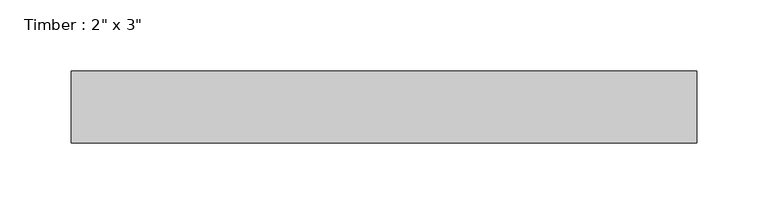
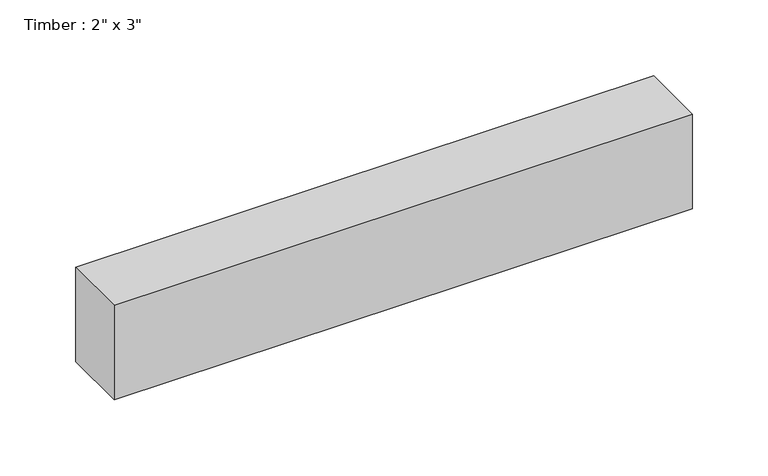
"""IFC4 building model written with IfcOpenShell, lengths in millimetres: beam geometry."""

from ifc_helpers import new_model, si_unit, frame, origin, place, context, project, spatial, polyline, outline, extrude, source, transform, mapped, element, save


def beam_196fdb36(model_context):
    return source(origin(), model_context, "Body", "SweptSolid", [
        extrude(outline(polyline([(220.2141103, 25.4), (220.2141103, -25.4), (-220.2141103, -25.4), (-220.2141103, 25.4), (220.2141103, 25.4)])), frame((0.0, 0.0, -38.1), z_axis=(0.0, 0.0, 1.0), x_axis=(1.0, 0.0, 0.0)), (0.0, 0.0, 1.0), 76.2),
    ])


if __name__ == "__main__":
    model = new_model("IFC4")
    model_context = context("Model", 3, world=origin())
    ifc_project = project(units=[si_unit("LENGTHUNIT", "METRE", prefix="MILLI")], contexts=[model_context])
    site = spatial("IfcSite", under=ifc_project)
    building = spatial("IfcBuilding", under=site)
    placement = place(None, origin())
    beam_shape = beam_196fdb36(model_context)
    element("IfcBeam", 1, ObjectType="Timber : 2\" x 3\"", at=placement, inside=building, context=model_context, shape_type="MappedRepresentation", body=[
        mapped(beam_shape, transform((0.0, 0.0, 0.0), x_axis=(1.0, 0.0, 0.0), y_axis=(0.0, 1.0, 0.0), z_axis=(0.0, 0.0, 1.0))),
    ])
    save(model, "model.ifc")
